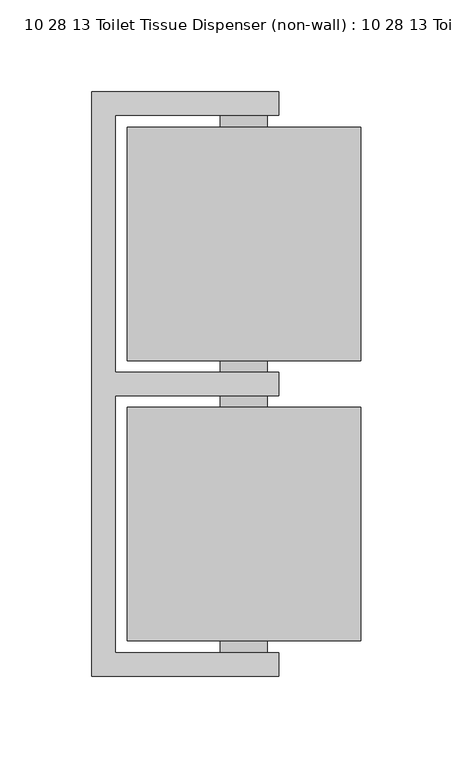
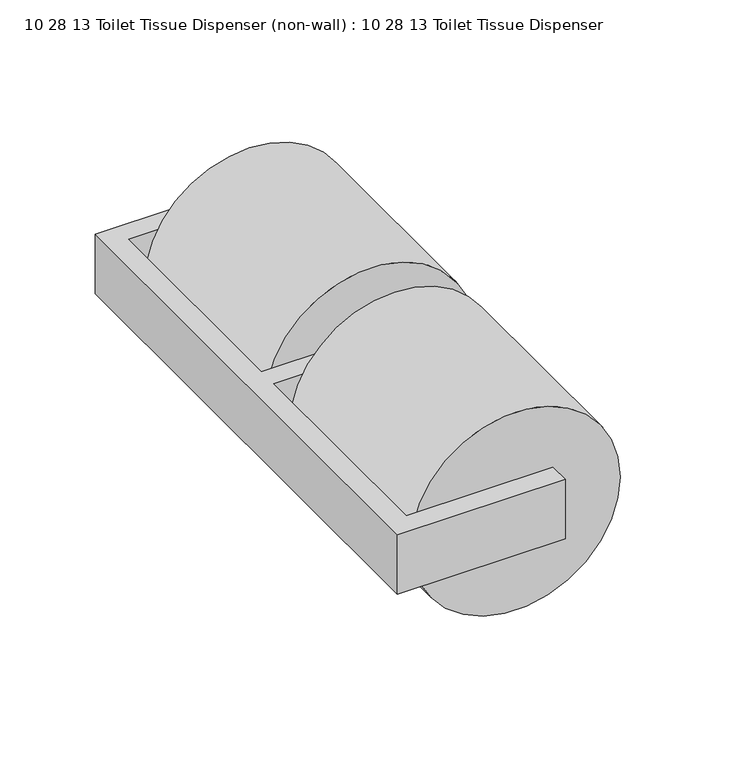
"""IFC4 building model written with IfcOpenShell, lengths in millimetres: proxy geometry, 10 28 13 Toilet Tissue Dispenser (non-wall) : 10 28 13 Toilet Tissue Dispenser."""

from ifc_helpers import new_model, si_unit, point, frame, frame_2d, origin, place, context, project, spatial, polyline, circle_curve, trimmed, segment, composite_curve, outline, extrude, source, transform, mapped, element, save


def proxy_10_28_13_toilet_tissue_dispenser_non_wall_10_28_13_a97aa644(model_context):
    return source(origin(), model_context, "Body", "SweptSolid", [
        extrude(outline(composite_curve([segment(trimmed(circle_curve(frame_2d((-6.35, 82.55)), 63.5), [point((-6.35, 146.05))], [point((-6.35, 19.05))], False, "CARTESIAN"), True, "CONTINUOUS"), segment(trimmed(circle_curve(frame_2d((-6.35, 82.55)), 63.5), [point((-6.35, 19.05))], [point((-6.35, 146.05))], False, "CARTESIAN"), True, "CONTINUOUS")], self_intersect=False), holes=[composite_curve([segment(trimmed(circle_curve(frame_2d((-6.35, 82.55)), 19.05), [point((-6.35, 101.6))], [point((-6.35, 63.5))], True, "CARTESIAN"), True, "CONTINUOUS"), segment(trimmed(circle_curve(frame_2d((-6.35, 82.55)), 19.05), [point((-6.35, 63.5))], [point((-6.35, 101.6))], True, "CARTESIAN"), True, "CONTINUOUS")], self_intersect=False)]), frame((0.0, 12.7, 0.0), z_axis=(0.0, 1.0, 0.0), x_axis=(0.0, 0.0, 1.0)), (0.0, 0.0, 1.0), 127.0),
        extrude(outline(composite_curve([segment(trimmed(circle_curve(frame_2d((-6.35, 82.55)), 63.5), [point((-6.35, 146.05))], [point((-6.35, 19.05))], False, "CARTESIAN"), True, "CONTINUOUS"), segment(trimmed(circle_curve(frame_2d((-6.35, 82.55)), 63.5), [point((-6.35, 19.05))], [point((-6.35, 146.05))], False, "CARTESIAN"), True, "CONTINUOUS")], self_intersect=False), holes=[composite_curve([segment(trimmed(circle_curve(frame_2d((-6.35, 82.55)), 19.05), [point((-6.35, 101.6))], [point((-6.35, 63.5))], True, "CARTESIAN"), True, "CONTINUOUS"), segment(trimmed(circle_curve(frame_2d((-6.35, 82.55)), 19.05), [point((-6.35, 63.5))], [point((-6.35, 101.6))], True, "CARTESIAN"), True, "CONTINUOUS")], self_intersect=False)]), frame((0.0, -139.7, 0.0), z_axis=(0.0, 1.0, 0.0), x_axis=(0.0, 0.0, 1.0)), (0.0, 0.0, 1.0), 127.0),
        extrude(outline(composite_curve([segment(trimmed(circle_curve(frame_2d((0.0, 82.55)), 12.7), [point((0.0, 95.25))], [point((0.0, 69.85))], False, "CARTESIAN"), True, "CONTINUOUS"), segment(trimmed(circle_curve(frame_2d((0.0, 82.55)), 12.7), [point((0.0, 69.85))], [point((0.0, 95.25))], False, "CARTESIAN"), True, "CONTINUOUS")], self_intersect=False)), frame((0.0, -146.05, 0.0), z_axis=(0.0, 1.0, 0.0), x_axis=(0.0, 0.0, 1.0)), (0.0, 0.0, 1.0), 139.7),
        extrude(outline(composite_curve([segment(trimmed(circle_curve(frame_2d((0.0, 82.55)), 12.7), [point((0.0, 95.25))], [point((0.0, 69.85))], False, "CARTESIAN"), True, "CONTINUOUS"), segment(trimmed(circle_curve(frame_2d((0.0, 82.55)), 12.7), [point((0.0, 69.85))], [point((0.0, 95.25))], False, "CARTESIAN"), True, "CONTINUOUS")], self_intersect=False)), frame((0.0, 6.35, 0.0), z_axis=(0.0, 1.0, 0.0), x_axis=(0.0, 0.0, 1.0)), (0.0, 0.0, 1.0), 139.7),
        extrude(outline(polyline([(101.6, -158.75), (0.0, -158.75), (0.0, 158.75), (101.6, 158.75), (101.6, 146.05), (12.7, 146.05), (12.7, 6.35), (101.6, 6.35), (101.6, -6.35), (12.7, -6.35), (12.7, -146.05), (101.6, -146.05), (101.6, -158.75)])), frame((0.0, 0.0, -19.05), z_axis=(0.0, 0.0, 1.0), x_axis=(1.0, 0.0, 0.0)), (0.0, 0.0, 1.0), 38.1),
    ])


if __name__ == "__main__":
    model = new_model("IFC4")
    model_context = context("Model", 3, world=origin())
    ifc_project = project(units=[si_unit("LENGTHUNIT", "METRE", prefix="MILLI")], contexts=[model_context])
    site = spatial("IfcSite", under=ifc_project)
    building = spatial("IfcBuilding", under=site)
    placement = place(None, origin())
    proxy_10_28_13_toilet_tissue_dispenser_non_wall_10_28_13_shape = proxy_10_28_13_toilet_tissue_dispenser_non_wall_10_28_13_a97aa644(model_context)
    element("IfcBuildingElementProxy", 1, Name="10 28 13 Toilet Tissue Dispenser (non-wall) : 10 28 13 Toilet Tissue Dispenser", ObjectType="10 28 13 Toilet Tissue Dispenser (non-wall) : 10 28 13 Toilet Tissue Dispenser", at=placement, inside=building, context=model_context, shape_type="MappedRepresentation", body=[
        mapped(proxy_10_28_13_toilet_tissue_dispenser_non_wall_10_28_13_shape, transform((0.0, 0.0, 0.0), x_axis=(1.0, 0.0, 0.0), y_axis=(0.0, 1.0, 0.0), z_axis=(0.0, 0.0, 1.0))),
    ])
    save(model, "model.ifc")
